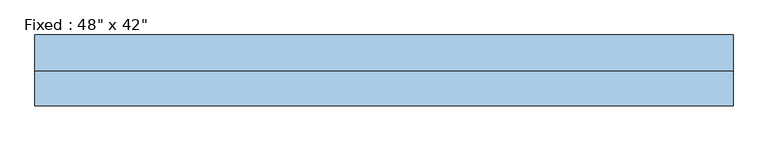
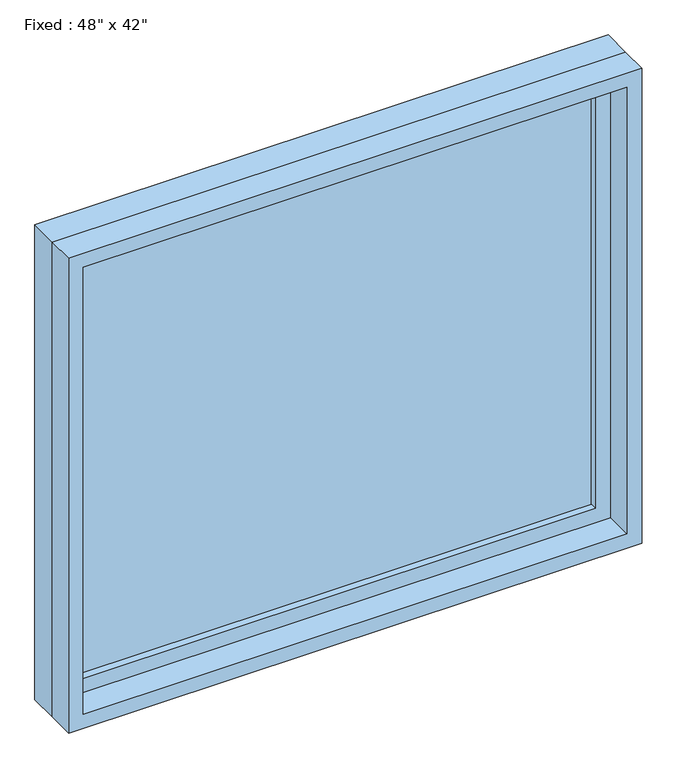
"""IFC4 building model written with IfcOpenShell, lengths in millimetres: window geometry."""

from ifc_helpers import new_model, si_unit, frame, origin, place, context, project, spatial, polyline, outline, extrude, source, transform, mapped, element, save


def window_b58e5159(model_context):
    return source(origin(), model_context, "Body", "SweptSolid", [
        extrude(outline(polyline([(508.0, 14.2875), (-584.2, 14.2875), (-584.2, 26.9875), (508.0, 26.9875), (508.0, 14.2875)])), frame((0.0, 0.0, 977.9), z_axis=(0.0, 0.0, 1.0), x_axis=(1.0, 0.0, 0.0)), (0.0, 0.0, 1.0), 939.8),
        extrude(outline(polyline([(1962.15, -628.65), (933.45, -628.65), (933.45, 552.45), (1962.15, 552.45), (1962.15, -628.65)]), holes=[polyline([(1917.7, -584.2), (1917.7, 508.0), (977.9, 508.0), (977.9, -584.2), (1917.7, -584.2)])]), frame((0.0, -1.5875, 0.0), z_axis=(0.0, 1.0, 0.0), x_axis=(0.0, 0.0, 1.0)), (0.0, 0.0, 1.0), 44.45),
        extrude(outline(polyline([(1981.2, -647.7), (914.4, -647.7), (914.4, 571.5), (1981.2, 571.5), (1981.2, -647.7)]), holes=[polyline([(1949.45, -615.95), (1949.45, 539.75), (946.15, 539.75), (946.15, -615.95), (1949.45, -615.95)])]), frame((0.0, -61.9125, 0.0), z_axis=(0.0, 1.0, 0.0), x_axis=(0.0, 0.0, 1.0)), (0.0, 0.0, 1.0), 60.325),
        extrude(outline(polyline([(1981.2, 571.5), (1981.2, -647.7), (914.4, -647.7), (914.4, 571.5), (1981.2, 571.5)]), holes=[polyline([(1962.15, 552.45), (933.45, 552.45), (933.45, -628.65), (1962.15, -628.65), (1962.15, 552.45)])]), frame((0.0, -1.5875, 0.0), z_axis=(0.0, 1.0, 0.0), x_axis=(0.0, 0.0, 1.0)), (0.0, 0.0, 1.0), 63.5),
    ])


if __name__ == "__main__":
    model = new_model("IFC4")
    model_context = context("Model", 3, world=origin())
    ifc_project = project(units=[si_unit("LENGTHUNIT", "METRE", prefix="MILLI")], contexts=[model_context])
    site = spatial("IfcSite", under=ifc_project)
    building = spatial("IfcBuilding", under=site)
    placement = place(None, origin())
    window_shape = window_b58e5159(model_context)
    element("IfcWindow", 1, ObjectType="Fixed : 48\" x 42\"", at=placement, inside=building, context=model_context, shape_type="MappedRepresentation", body=[
        mapped(window_shape, transform((0.0, 0.0, 0.0), x_axis=(1.0, 0.0, 0.0), y_axis=(0.0, 1.0, 0.0), z_axis=(0.0, 0.0, 1.0))),
    ])
    save(model, "model.ifc")
